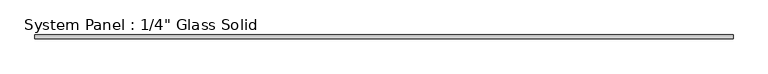
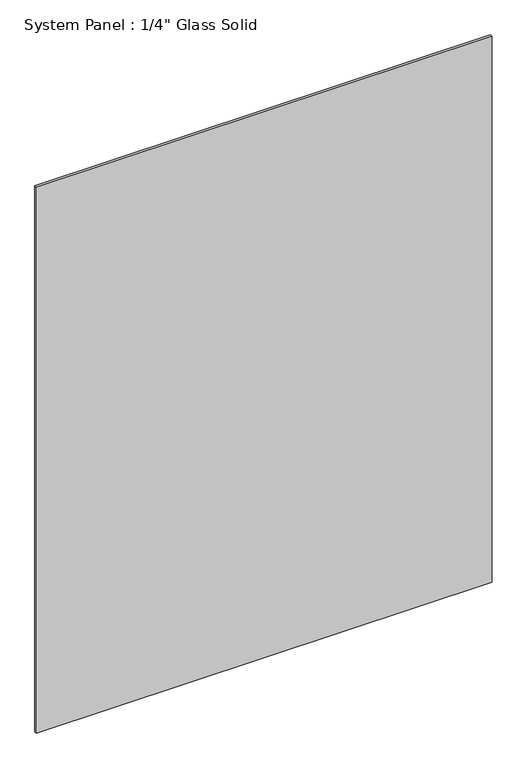
"""IFC4 building model written with IfcOpenShell, lengths in millimetres: plate geometry."""

from ifc_helpers import new_model, si_unit, origin, origin_with_axes, place, context, project, spatial, polyline, outline, extrude, source, transform, mapped, element, save


def plate_0f2fbb97(model_context):
    return source(origin(), model_context, "Body", "SweptSolid", [
        extrude(outline(polyline([(558.2220691, -3.175), (-558.2220691, -3.175), (-558.2220691, 3.175), (558.2220691, 3.175), (558.2220691, -3.175)])), origin_with_axes(), (0.0, 0.0, 1.0), 1413.6241382),
    ])


if __name__ == "__main__":
    model = new_model("IFC4")
    model_context = context("Model", 3, world=origin())
    ifc_project = project(units=[si_unit("LENGTHUNIT", "METRE", prefix="MILLI")], contexts=[model_context])
    site = spatial("IfcSite", under=ifc_project)
    building = spatial("IfcBuilding", under=site)
    placement = place(None, origin())
    plate_shape = plate_0f2fbb97(model_context)
    element("IfcPlate", 1, ObjectType="System Panel : 1/4\" Glass Solid", at=placement, inside=building, context=model_context, shape_type="MappedRepresentation", body=[
        mapped(plate_shape, transform((0.0, 0.0, 0.0), x_axis=(1.0, 0.0, 0.0), y_axis=(0.0, 1.0, 0.0), z_axis=(0.0, 0.0, 1.0))),
    ])
    save(model, "model.ifc")
